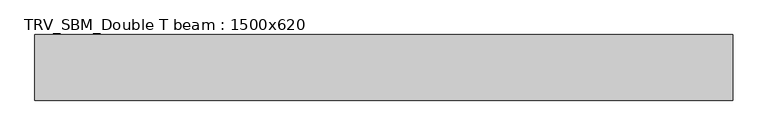
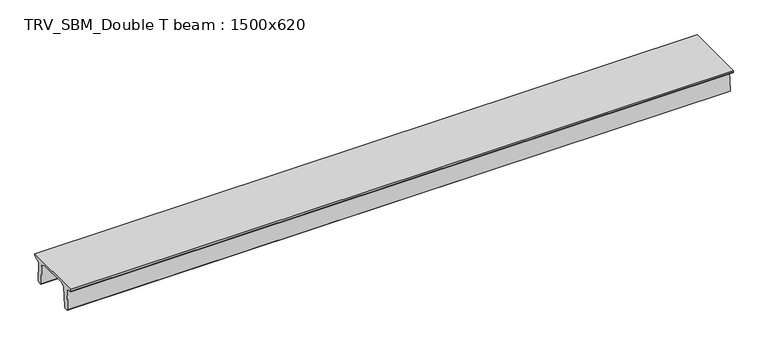
"""IFC4 building model written with IfcOpenShell, lengths in millimetres: beam geometry, TRV_SBM_Double T beam : 1500x620."""

from ifc_helpers import new_model, si_unit, frame, origin, place, context, project, spatial, polyline, outline, extrude, source, transform, mapped, element, save


def trv_sbm_double_t_beam_1500x620_41030362(model_context):
    return source(origin(), model_context, "Body", "SweptSolid", [
        extrude(outline(polyline([(-765.0, 215.0), (-765.0, 260.0), (735.0, 260.0), (735.0, 215.0), (728.2094488, 201.315559), (578.0626443, 140.6523122), (594.8277662, -339.4379646), (574.2657308, -360.0), (484.2657308, -360.0), (464.786332, -340.5206011), (447.8600761, 144.18395), (338.3237744, 210.0), (-367.4555014, 210.0), (-476.5389732, 151.9992892), (-507.0080378, -339.3850967), (-527.622941, -360.0), (-615.122941, -360.0), (-637.1143055, -338.0086356), (-606.1572167, 162.687806), (-761.3068466, 204.260024), (-765.0, 215.0)])), frame((-7941.5, 0.0, 0.0), z_axis=(1.0, 0.0, 0.0), x_axis=(0.0, 1.0, 0.0)), (0.0, 0.0, 1.0), 15960.0),
    ])


if __name__ == "__main__":
    model = new_model("IFC4")
    model_context = context("Model", 3, world=origin())
    ifc_project = project(units=[si_unit("LENGTHUNIT", "METRE", prefix="MILLI")], contexts=[model_context])
    site = spatial("IfcSite", under=ifc_project)
    building = spatial("IfcBuilding", under=site)
    placement = place(None, origin())
    trv_sbm_double_t_beam_1500x620_shape = trv_sbm_double_t_beam_1500x620_41030362(model_context)
    element("IfcBeam", 1, ObjectType="TRV_SBM_Double T beam : 1500x620", at=placement, inside=building, context=model_context, shape_type="MappedRepresentation", body=[
        mapped(trv_sbm_double_t_beam_1500x620_shape, transform((0.0, 0.0, 0.0), x_axis=(1.0, 0.0, 0.0), y_axis=(0.0, 1.0, 0.0), z_axis=(0.0, 0.0, 1.0))),
    ])
    save(model, "model.ifc")
